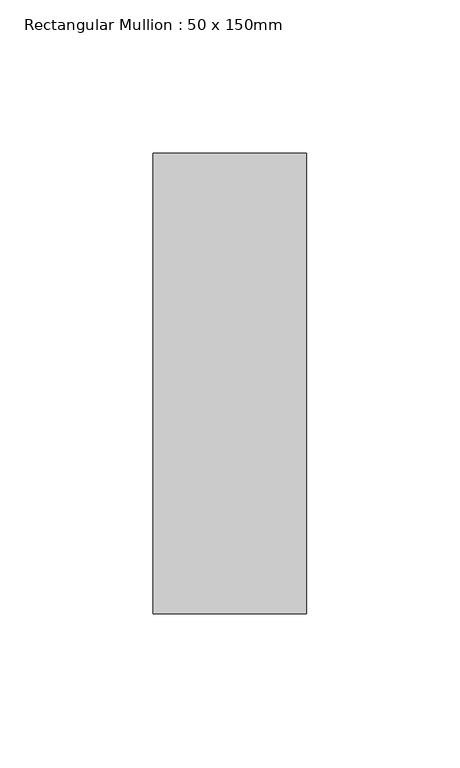
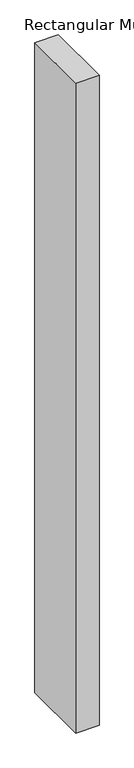
"""IFC4 building model written with IfcOpenShell, lengths in millimetres: member geometry, Rectangular Mullion : 50 x 150mm."""

from ifc_helpers import new_model, si_unit, frame, origin, place, context, project, spatial, polyline, outline, extrude, source, transform, mapped, element, save


def rectangular_mullion_50_x_150mm_dda6b8f4(model_context):
    return source(origin(), model_context, "Body", "SweptSolid", [
        extrude(outline(polyline([(25.0, 75.0), (25.0, -75.0), (-25.0, -75.0), (-25.0, 75.0), (25.0, 75.0)])), frame((0.0, 0.0, -1464.6599226), z_axis=(0.0, 0.0, 1.0), x_axis=(1.0, 0.0, 0.0)), (0.0, 0.0, 1.0), 1464.6599226),
    ])


if __name__ == "__main__":
    model = new_model("IFC4")
    model_context = context("Model", 3, world=origin())
    ifc_project = project(units=[si_unit("LENGTHUNIT", "METRE", prefix="MILLI")], contexts=[model_context])
    site = spatial("IfcSite", under=ifc_project)
    building = spatial("IfcBuilding", under=site)
    placement = place(None, origin())
    rectangular_mullion_50_x_150mm_shape = rectangular_mullion_50_x_150mm_dda6b8f4(model_context)
    element("IfcMember", 1, ObjectType="Rectangular Mullion : 50 x 150mm", at=placement, inside=building, context=model_context, shape_type="MappedRepresentation", body=[
        mapped(rectangular_mullion_50_x_150mm_shape, transform((0.0, 0.0, 0.0), x_axis=(1.0, 0.0, 0.0), y_axis=(0.0, 1.0, 0.0), z_axis=(0.0, 0.0, 1.0))),
    ])
    save(model, "model.ifc")
